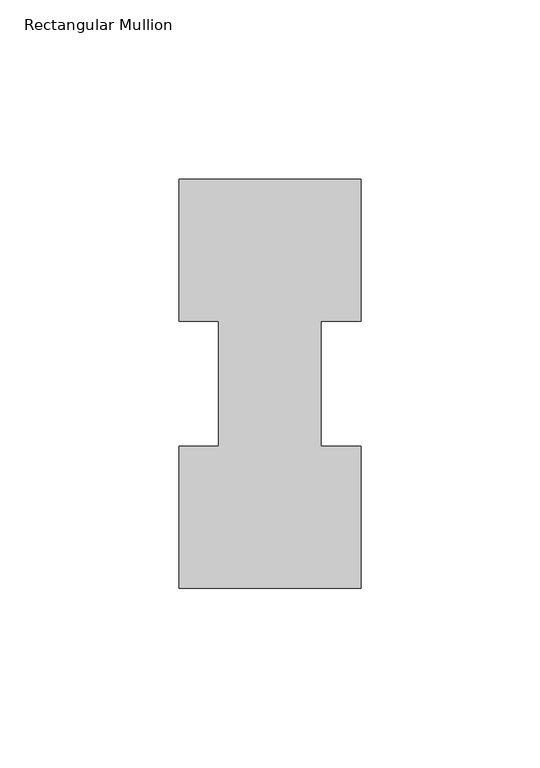
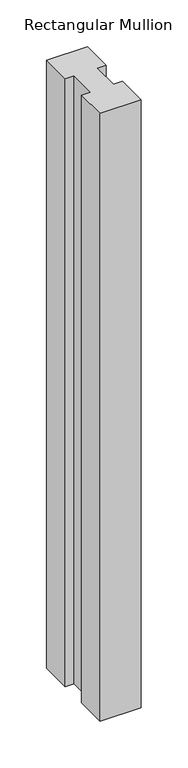
"""IFC4 building model written with IfcOpenShell, lengths in millimetres: member geometry, Rectangular Mullion."""

from ifc_helpers import new_model, si_unit, frame, origin, place, context, project, spatial, polyline, outline, extrude, source, transform, mapped, element, save


def rectangular_mullion_d22347e2(model_context):
    return source(origin(), model_context, "Body", "SweptSolid", [
        extrude(outline(polyline([(25.4, 114.271425), (25.4, 74.5983181), (14.2875, 74.5983181), (14.2875, 39.6445317), (25.4, 39.6445317), (25.4, -0.028575), (-25.4, -0.028575), (-25.4, 39.646225), (-14.2875, 39.646225), (-14.2875, 74.596625), (-25.4, 74.596625), (-25.4, 114.271425), (25.4, 114.271425)])), frame((0.0, 0.0, -793.75), z_axis=(0.0, 0.0, 1.0), x_axis=(1.0, 0.0, 0.0)), (0.0, 0.0, 1.0), 793.75),
    ])


if __name__ == "__main__":
    model = new_model("IFC4")
    model_context = context("Model", 3, world=origin())
    ifc_project = project(units=[si_unit("LENGTHUNIT", "METRE", prefix="MILLI")], contexts=[model_context])
    site = spatial("IfcSite", under=ifc_project)
    building = spatial("IfcBuilding", under=site)
    placement = place(None, origin())
    rectangular_mullion_shape = rectangular_mullion_d22347e2(model_context)
    element("IfcMember", 1, ObjectType="Rectangular Mullion", at=placement, inside=building, context=model_context, shape_type="MappedRepresentation", body=[
        mapped(rectangular_mullion_shape, transform((0.0, 0.0, 0.0), x_axis=(1.0, 0.0, 0.0), y_axis=(0.0, 1.0, 0.0), z_axis=(0.0, 0.0, 1.0))),
    ])
    save(model, "model.ifc")
